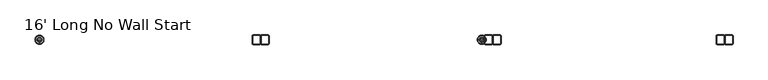
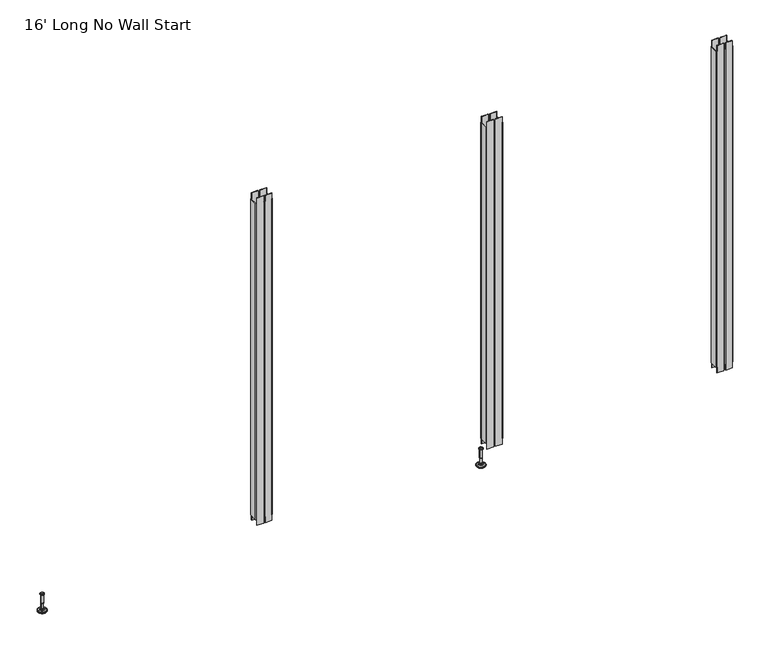
"""IFC4 building model written with IfcOpenShell, lengths in millimetres: furniture geometry, 16' Long No Wall Start."""

from ifc_helpers import new_model, si_unit, frame, origin, place, context, project, spatial, polyline, circle_curve, faceted_brep, source, transform, mapped, element, save
from ifc_brep_helpers import plane_surface, cylinder_surface, revolved_surface, advanced_brep


def furniture_16_long_no_wall_start_6b36d2c8(model_context):
    return source(origin(), model_context, "Body", "SolidModel", [
        advanced_brep(
        [(2381.0635677, 0.0, 101.6), (2390.0414891, 0.0, 101.6), (2372.0856463, 0.0, 101.6), (2366.9593278, 0.0, 0.0206943), (2395.1678076, 0.0, 0.0206943), (2381.0635677, 0.0, 0.0206943), (2362.081296, 0.0, 1.4194474), (2400.0458394, 0.0, 1.4194474), (2358.319381, 0.0, 4.7394056), (2403.8077544, 0.0, 4.7394056), (2357.2019314, 0.0, 7.5051905), (2404.925204, 0.0, 7.5051905), (2357.2019314, 0.0, 8.3065967), (2404.925204, 0.0, 8.3065967), (2358.0443346, 0.0, 9.8469348), (2404.0828008, 0.0, 9.8469348), (2359.1444772, 0.0, 10.8375077), (2402.9826582, 0.0, 10.8375077), (2366.4481724, 0.0, 12.7338946), (2395.678963, 0.0, 12.7338946), (2373.8663238, 0.0, 13.3828987), (2388.2608116, 0.0, 13.3828987), (2373.8663238, 0.0, 14.1772758), (2388.2608116, 0.0, 14.1772758), (2376.2631166, 0.0, 14.1772758), (2385.8640188, 0.0, 14.1772758), (2376.2631166, 0.0, 18.8098403), (2385.8640188, 0.0, 18.8098403), (2375.247264, 0.0, 19.8256929), (2386.8798714, 0.0, 19.8256929), (2375.247264, 0.0, 48.3056352), (2386.8798714, 0.0, 48.3056352), (2374.0237361, 0.0, 49.9293116), (2388.1033993, 0.0, 49.9293116), (2374.0237361, 0.0, 97.327223), (2388.1033993, 0.0, 97.327223), (2373.1426317, 0.0, 97.6479188), (2388.9845037, 0.0, 97.6479188), (2372.0936428, 0.0, 97.6479188), (2390.0334926, 0.0, 97.6479188), (2370.4286129, 0.0, 98.6092242), (2391.6985225, 0.0, 98.6092242), (2370.4286129, 0.0, 100.6043539), (2391.6985225, 0.0, 100.6043539)],
        [
            (0, 1),
            (1, 2, circle_curve(frame((2381.0635677, 0.0, 101.6), z_axis=(0.0, 0.0, 1.0), x_axis=(1.0, 0.0, 0.0)), 8.9779214)),
            (2, 0),
            (2, 1, circle_curve(frame((2381.0635677, 0.0, 101.6), z_axis=(0.0, 0.0, 1.0), x_axis=(1.0, 0.0, 0.0)), 8.9779214)),
            (3, 4, circle_curve(frame((2381.0635677, 0.0, 0.0206943), z_axis=(0.0, 0.0, -1.0), x_axis=(1.0, 0.0, 0.0)), 14.1042399)),
            (4, 5),
            (5, 3),
            (4, 3, circle_curve(frame((2381.0635677, 0.0, 0.0206943), z_axis=(0.0, 0.0, -1.0), x_axis=(1.0, 0.0, 0.0)), 14.1042399)),
            (6, 7, circle_curve(frame((2381.0635677, 0.0, 1.4194474), z_axis=(0.0, 0.0, -1.0), x_axis=(1.0, 0.0, 0.0)), 18.9822717)),
            (7, 4),
            (3, 6),
            (7, 6, circle_curve(frame((2381.0635677, 0.0, 1.4194474), z_axis=(0.0, 0.0, -1.0), x_axis=(1.0, 0.0, 0.0)), 18.9822717)),
            (8, 9, circle_curve(frame((2381.0635677, 0.0, 4.7394056), z_axis=(0.0, 0.0, -1.0), x_axis=(1.0, 0.0, 0.0)), 22.7441867)),
            (9, 7),
            (6, 8),
            (9, 8, circle_curve(frame((2381.0635677, 0.0, 4.7394056), z_axis=(0.0, 0.0, -1.0), x_axis=(1.0, 0.0, 0.0)), 22.7441867)),
            (10, 11, circle_curve(frame((2381.0635677, 0.0, 7.5051905), z_axis=(0.0, 0.0, -1.0), x_axis=(1.0, 0.0, 0.0)), 23.8616363)),
            (11, 9),
            (8, 10),
            (11, 10, circle_curve(frame((2381.0635677, 0.0, 7.5051905), z_axis=(0.0, 0.0, -1.0), x_axis=(1.0, 0.0, 0.0)), 23.8616363)),
            (12, 13, circle_curve(frame((2381.0635677, 0.0, 8.3065967), z_axis=(0.0, 0.0, -1.0), x_axis=(1.0, 0.0, 0.0)), 23.8616363)),
            (13, 11),
            (10, 12),
            (13, 12, circle_curve(frame((2381.0635677, 0.0, 8.3065967), z_axis=(0.0, 0.0, -1.0), x_axis=(1.0, 0.0, 0.0)), 23.8616363)),
            (14, 15, circle_curve(frame((2381.0635677, 0.0, 9.8469348), z_axis=(0.0, 0.0, -1.0), x_axis=(1.0, 0.0, 0.0)), 23.0192331)),
            (15, 13),
            (12, 14),
            (15, 14, circle_curve(frame((2381.0635677, 0.0, 9.8469348), z_axis=(0.0, 0.0, -1.0), x_axis=(1.0, 0.0, 0.0)), 23.0192331)),
            (16, 17, circle_curve(frame((2381.0635677, 0.0, 10.8375077), z_axis=(0.0, 0.0, -1.0), x_axis=(1.0, 0.0, 0.0)), 21.9190905)),
            (17, 15),
            (14, 16),
            (17, 16, circle_curve(frame((2381.0635677, 0.0, 10.8375077), z_axis=(0.0, 0.0, -1.0), x_axis=(1.0, 0.0, 0.0)), 21.9190905)),
            (18, 19, circle_curve(frame((2381.0635677, 0.0, 12.7338946), z_axis=(0.0, 0.0, -1.0), x_axis=(1.0, 0.0, 0.0)), 14.6153953)),
            (19, 17),
            (16, 18),
            (19, 18, circle_curve(frame((2381.0635677, 0.0, 12.7338946), z_axis=(0.0, 0.0, -1.0), x_axis=(1.0, 0.0, 0.0)), 14.6153953)),
            (20, 21, circle_curve(frame((2381.0635677, 0.0, 13.3828987), z_axis=(0.0, 0.0, -1.0), x_axis=(1.0, 0.0, 0.0)), 7.1972439)),
            (21, 19),
            (18, 20),
            (21, 20, circle_curve(frame((2381.0635677, 0.0, 13.3828987), z_axis=(0.0, 0.0, -1.0), x_axis=(1.0, 0.0, 0.0)), 7.1972439)),
            (22, 23, circle_curve(frame((2381.0635677, 0.0, 14.1772758), z_axis=(0.0, 0.0, -1.0), x_axis=(1.0, 0.0, 0.0)), 7.1972439)),
            (23, 21),
            (20, 22),
            (23, 22, circle_curve(frame((2381.0635677, 0.0, 14.1772758), z_axis=(0.0, 0.0, -1.0), x_axis=(1.0, 0.0, 0.0)), 7.1972439)),
            (24, 25, circle_curve(frame((2381.0635677, 0.0, 14.1772758), z_axis=(0.0, 0.0, -1.0), x_axis=(1.0, 0.0, 0.0)), 4.8004511)),
            (25, 23),
            (22, 24),
            (25, 24, circle_curve(frame((2381.0635677, 0.0, 14.1772758), z_axis=(0.0, 0.0, -1.0), x_axis=(1.0, 0.0, 0.0)), 4.8004511)),
            (26, 27, circle_curve(frame((2381.0635677, 0.0, 18.8098403), z_axis=(0.0, 0.0, -1.0), x_axis=(1.0, 0.0, 0.0)), 4.8004511)),
            (27, 25),
            (24, 26),
            (27, 26, circle_curve(frame((2381.0635677, 0.0, 18.8098403), z_axis=(0.0, 0.0, -1.0), x_axis=(1.0, 0.0, 0.0)), 4.8004511)),
            (28, 29, circle_curve(frame((2381.0635677, 0.0, 19.8256929), z_axis=(0.0, 0.0, -1.0), x_axis=(1.0, 0.0, 0.0)), 5.8163037)),
            (29, 27),
            (26, 28),
            (29, 28, circle_curve(frame((2381.0635677, 0.0, 19.8256929), z_axis=(0.0, 0.0, -1.0), x_axis=(1.0, 0.0, 0.0)), 5.8163037)),
            (30, 31, circle_curve(frame((2381.0635677, 0.0, 48.3056352), z_axis=(0.0, 0.0, -1.0), x_axis=(1.0, 0.0, 0.0)), 5.8163037)),
            (31, 29),
            (28, 30),
            (31, 30, circle_curve(frame((2381.0635677, 0.0, 48.3056352), z_axis=(0.0, 0.0, -1.0), x_axis=(1.0, 0.0, 0.0)), 5.8163037)),
            (32, 33, circle_curve(frame((2381.0635677, 0.0, 49.9293116), z_axis=(0.0, 0.0, -1.0), x_axis=(1.0, 0.0, 0.0)), 7.0398316)),
            (33, 31),
            (30, 32),
            (33, 32, circle_curve(frame((2381.0635677, 0.0, 49.9293116), z_axis=(0.0, 0.0, -1.0), x_axis=(1.0, 0.0, 0.0)), 7.0398316)),
            (34, 35, circle_curve(frame((2381.0635677, 0.0, 97.327223), z_axis=(0.0, 0.0, -1.0), x_axis=(1.0, 0.0, 0.0)), 7.0398316)),
            (35, 33),
            (32, 34),
            (35, 34, circle_curve(frame((2381.0635677, 0.0, 97.327223), z_axis=(0.0, 0.0, -1.0), x_axis=(1.0, 0.0, 0.0)), 7.0398316)),
            (36, 37, circle_curve(frame((2381.0635677, 0.0, 97.6479188), z_axis=(0.0, 0.0, -1.0), x_axis=(1.0, 0.0, 0.0)), 7.920936)),
            (37, 35),
            (34, 36),
            (37, 36, circle_curve(frame((2381.0635677, 0.0, 97.6479188), z_axis=(0.0, 0.0, -1.0), x_axis=(1.0, 0.0, 0.0)), 7.920936)),
            (38, 39, circle_curve(frame((2381.0635677, 0.0, 97.6479188), z_axis=(0.0, 0.0, -1.0), x_axis=(1.0, 0.0, 0.0)), 8.9699249)),
            (39, 37),
            (36, 38),
            (39, 38, circle_curve(frame((2381.0635677, 0.0, 97.6479188), z_axis=(0.0, 0.0, -1.0), x_axis=(1.0, 0.0, 0.0)), 8.9699249)),
            (40, 41, circle_curve(frame((2381.0635677, 0.0, 98.6092242), z_axis=(0.0, 0.0, -1.0), x_axis=(1.0, 0.0, 0.0)), 10.6349548)),
            (41, 39),
            (38, 40),
            (41, 40, circle_curve(frame((2381.0635677, 0.0, 98.6092242), z_axis=(0.0, 0.0, -1.0), x_axis=(1.0, 0.0, 0.0)), 10.6349548)),
            (42, 43, circle_curve(frame((2381.0635677, 0.0, 100.6043539), z_axis=(0.0, 0.0, -1.0), x_axis=(1.0, 0.0, 0.0)), 10.6349548)),
            (43, 41),
            (40, 42),
            (43, 42, circle_curve(frame((2381.0635677, 0.0, 100.6043539), z_axis=(0.0, 0.0, -1.0), x_axis=(1.0, 0.0, 0.0)), 10.6349548)),
            (1, 43),
            (42, 2),
        ],
        [
            plane_surface(frame((2381.0635677, 0.0, 101.6), z_axis=(0.0, 0.0, 1.0), x_axis=(1.0, 0.0, 0.0))),
            plane_surface(frame((2381.0635677, 0.0, 0.0206943), z_axis=(0.0, 0.0, -1.0), x_axis=(1.0, 0.0, 0.0))),
            revolved_surface(polyline([(2395.1678076, 0.0, 0.0206943), (2400.0458394, 0.0, 1.4194474)]), (2381.0635677, 0.0, 101.6), (0.0, 0.0, 1.0)),
            revolved_surface(polyline([(2400.0458394, 0.0, 1.4194474), (2403.8077544, 0.0, 4.7394056)]), (2381.0635677, 0.0, 101.6), (0.0, 0.0, 1.0)),
            revolved_surface(polyline([(2403.8077544, 0.0, 4.7394056), (2404.925204, 0.0, 7.5051905)]), (2381.0635677, 0.0, 101.6), (0.0, 0.0, 1.0)),
            cylinder_surface(frame((2381.0635677, 0.0, 101.6), z_axis=(0.0, 0.0, 1.0), x_axis=(1.0, 0.0, 0.0)), 23.8616363),
            revolved_surface(polyline([(2404.925204, 0.0, 8.3065967), (2404.0828008, 0.0, 9.8469348)]), (2381.0635677, 0.0, 101.6), (0.0, 0.0, 1.0)),
            revolved_surface(polyline([(2404.0828008, 0.0, 9.8469348), (2402.9826582, 0.0, 10.8375077)]), (2381.0635677, 0.0, 101.6), (0.0, 0.0, 1.0)),
            revolved_surface(polyline([(2402.9826582, 0.0, 10.8375077), (2395.678963, 0.0, 12.7338946)]), (2381.0635677, 0.0, 101.6), (0.0, 0.0, 1.0)),
            revolved_surface(polyline([(2395.678963, 0.0, 12.7338946), (2388.2608116, 0.0, 13.3828987)]), (2381.0635677, 0.0, 101.6), (0.0, 0.0, 1.0)),
            cylinder_surface(frame((2381.0635677, 0.0, 101.6), z_axis=(0.0, 0.0, 1.0), x_axis=(1.0, 0.0, 0.0)), 7.1972439),
            plane_surface(frame((2381.0635677, 0.0, 14.1772758), z_axis=(0.0, 0.0, 1.0), x_axis=(1.0, 0.0, 0.0))),
            cylinder_surface(frame((2381.0635677, 0.0, 101.6), z_axis=(0.0, 0.0, 1.0), x_axis=(1.0, 0.0, 0.0)), 4.8004511),
            revolved_surface(polyline([(2385.8640188, 0.0, 18.8098403), (2386.8798714, 0.0, 19.8256929)]), (2381.0635677, 0.0, 101.6), (0.0, 0.0, 1.0)),
            cylinder_surface(frame((2381.0635677, 0.0, 101.6), z_axis=(0.0, 0.0, 1.0), x_axis=(1.0, 0.0, 0.0)), 5.8163037),
            revolved_surface(polyline([(2386.8798714, 0.0, 48.3056352), (2388.1033993, 0.0, 49.9293116)]), (2381.0635677, 0.0, 101.6), (0.0, 0.0, 1.0)),
            cylinder_surface(frame((2381.0635677, 0.0, 101.6), z_axis=(0.0, 0.0, 1.0), x_axis=(1.0, 0.0, 0.0)), 7.0398316),
            revolved_surface(polyline([(2388.1033993, 0.0, 97.327223), (2388.9845037, 0.0, 97.6479188)]), (2381.0635677, 0.0, 101.6), (0.0, 0.0, 1.0)),
            plane_surface(frame((2381.0635677, 0.0, 97.6479188), z_axis=(0.0, 0.0, -1.0), x_axis=(1.0, 0.0, 0.0))),
            revolved_surface(polyline([(2390.0334926, 0.0, 97.6479188), (2391.6985225, 0.0, 98.6092242)]), (2381.0635677, 0.0, 101.6), (0.0, 0.0, 1.0)),
            cylinder_surface(frame((2381.0635677, 0.0, 101.6), z_axis=(0.0, 0.0, 1.0), x_axis=(1.0, 0.0, 0.0)), 10.6349548),
            revolved_surface(polyline([(2391.6985225, 0.0, 100.6043539), (2390.0414891, 0.0, 101.6)]), (2381.0635677, 0.0, 101.6), (0.0, 0.0, 1.0)),
        ],
        [
            (0, [[1, 2, 3]]),
            (0, [[-3, 4, -1]]),
            (1, [[5, 6, 7]]),
            (1, [[8, -7, -6]]),
            (2, [[9, 10, -5, 11]]),
            (2, [[12, -11, -8, -10]]),
            (3, [[13, 14, -9, 15]]),
            (3, [[16, -15, -12, -14]]),
            (4, [[17, 18, -13, 19]]),
            (4, [[20, -19, -16, -18]]),
            (5, [[21, 22, -17, 23]]),
            (5, [[24, -23, -20, -22]]),
            (6, [[25, 26, -21, 27]]),
            (6, [[28, -27, -24, -26]]),
            (7, [[29, 30, -25, 31]]),
            (7, [[32, -31, -28, -30]]),
            (8, [[33, 34, -29, 35]]),
            (8, [[36, -35, -32, -34]]),
            (9, [[37, 38, -33, 39]]),
            (9, [[40, -39, -36, -38]]),
            (10, [[41, 42, -37, 43]]),
            (10, [[44, -43, -40, -42]]),
            (11, [[45, 46, -41, 47]]),
            (11, [[48, -47, -44, -46]]),
            (12, [[49, 50, -45, 51]]),
            (12, [[52, -51, -48, -50]]),
            (13, [[53, 54, -49, 55]]),
            (13, [[56, -55, -52, -54]]),
            (14, [[57, 58, -53, 59]]),
            (14, [[60, -59, -56, -58]]),
            (15, [[61, 62, -57, 63]]),
            (15, [[64, -63, -60, -62]]),
            (16, [[65, 66, -61, 67]]),
            (16, [[68, -67, -64, -66]]),
            (17, [[69, 70, -65, 71]]),
            (17, [[72, -71, -68, -70]]),
            (18, [[73, 74, -69, 75]]),
            (18, [[76, -75, -72, -74]]),
            (19, [[77, 78, -73, 79]]),
            (19, [[80, -79, -76, -78]]),
            (20, [[81, 82, -77, 83]]),
            (20, [[84, -83, -80, -82]]),
            (21, [[-2, 85, -81, 86]]),
            (21, [[-4, -86, -84, -85]]),
        ],
    ),
        advanced_brep(
        [(57.0627865, 0.0, 101.6), (66.0407079, 0.0, 101.6), (48.084865, 0.0, 101.6), (42.9585465, 0.0, 0.0206943), (71.1670264, 0.0, 0.0206943), (57.0627865, 0.0, 0.0206943), (38.0805148, 0.0, 1.4194474), (76.0450581, 0.0, 1.4194474), (34.3185997, 0.0, 4.7394056), (79.8069732, 0.0, 4.7394056), (33.2011501, 0.0, 7.5051905), (80.9244228, 0.0, 7.5051905), (33.2011501, 0.0, 8.3065967), (80.9244228, 0.0, 8.3065967), (34.0435533, 0.0, 9.8469348), (80.0820196, 0.0, 9.8469348), (35.143696, 0.0, 10.8375077), (78.9818769, 0.0, 10.8375077), (42.4473912, 0.0, 12.7338946), (71.6781817, 0.0, 12.7338946), (49.8655426, 0.0, 13.3828987), (64.2600304, 0.0, 13.3828987), (49.8655426, 0.0, 14.1772758), (64.2600304, 0.0, 14.1772758), (52.2623354, 0.0, 14.1772758), (61.8632375, 0.0, 14.1772758), (52.2623354, 0.0, 18.8098403), (61.8632375, 0.0, 18.8098403), (51.2464827, 0.0, 19.8256929), (62.8790902, 0.0, 19.8256929), (51.2464827, 0.0, 48.3056352), (62.8790902, 0.0, 48.3056352), (50.0229548, 0.0, 49.9293116), (64.1026181, 0.0, 49.9293116), (50.0229548, 0.0, 97.327223), (64.1026181, 0.0, 97.327223), (49.1418505, 0.0, 97.6479188), (64.9837224, 0.0, 97.6479188), (48.0928615, 0.0, 97.6479188), (66.0327114, 0.0, 97.6479188), (46.4278316, 0.0, 98.6092242), (67.6977413, 0.0, 98.6092242), (46.4278316, 0.0, 100.6043539), (67.6977413, 0.0, 100.6043539)],
        [
            (0, 1),
            (1, 2, circle_curve(frame((57.0627865, 0.0, 101.6), z_axis=(0.0, 0.0, 1.0), x_axis=(1.0, 0.0, 0.0)), 8.9779214)),
            (2, 0),
            (2, 1, circle_curve(frame((57.0627865, 0.0, 101.6), z_axis=(0.0, 0.0, 1.0), x_axis=(1.0, 0.0, 0.0)), 8.9779214)),
            (3, 4, circle_curve(frame((57.0627865, 0.0, 0.0206943), z_axis=(0.0, 0.0, -1.0), x_axis=(1.0, 0.0, 0.0)), 14.1042399)),
            (4, 5),
            (5, 3),
            (4, 3, circle_curve(frame((57.0627865, 0.0, 0.0206943), z_axis=(0.0, 0.0, -1.0), x_axis=(1.0, 0.0, 0.0)), 14.1042399)),
            (6, 7, circle_curve(frame((57.0627865, 0.0, 1.4194474), z_axis=(0.0, 0.0, -1.0), x_axis=(1.0, 0.0, 0.0)), 18.9822717)),
            (7, 4),
            (3, 6),
            (7, 6, circle_curve(frame((57.0627865, 0.0, 1.4194474), z_axis=(0.0, 0.0, -1.0), x_axis=(1.0, 0.0, 0.0)), 18.9822717)),
            (8, 9, circle_curve(frame((57.0627865, 0.0, 4.7394056), z_axis=(0.0, 0.0, -1.0), x_axis=(1.0, 0.0, 0.0)), 22.7441867)),
            (9, 7),
            (6, 8),
            (9, 8, circle_curve(frame((57.0627865, 0.0, 4.7394056), z_axis=(0.0, 0.0, -1.0), x_axis=(1.0, 0.0, 0.0)), 22.7441867)),
            (10, 11, circle_curve(frame((57.0627865, 0.0, 7.5051905), z_axis=(0.0, 0.0, -1.0), x_axis=(1.0, 0.0, 0.0)), 23.8616363)),
            (11, 9),
            (8, 10),
            (11, 10, circle_curve(frame((57.0627865, 0.0, 7.5051905), z_axis=(0.0, 0.0, -1.0), x_axis=(1.0, 0.0, 0.0)), 23.8616363)),
            (12, 13, circle_curve(frame((57.0627865, 0.0, 8.3065967), z_axis=(0.0, 0.0, -1.0), x_axis=(1.0, 0.0, 0.0)), 23.8616363)),
            (13, 11),
            (10, 12),
            (13, 12, circle_curve(frame((57.0627865, 0.0, 8.3065967), z_axis=(0.0, 0.0, -1.0), x_axis=(1.0, 0.0, 0.0)), 23.8616363)),
            (14, 15, circle_curve(frame((57.0627865, 0.0, 9.8469348), z_axis=(0.0, 0.0, -1.0), x_axis=(1.0, 0.0, 0.0)), 23.0192331)),
            (15, 13),
            (12, 14),
            (15, 14, circle_curve(frame((57.0627865, 0.0, 9.8469348), z_axis=(0.0, 0.0, -1.0), x_axis=(1.0, 0.0, 0.0)), 23.0192331)),
            (16, 17, circle_curve(frame((57.0627865, 0.0, 10.8375077), z_axis=(0.0, 0.0, -1.0), x_axis=(1.0, 0.0, 0.0)), 21.9190905)),
            (17, 15),
            (14, 16),
            (17, 16, circle_curve(frame((57.0627865, 0.0, 10.8375077), z_axis=(0.0, 0.0, -1.0), x_axis=(1.0, 0.0, 0.0)), 21.9190905)),
            (18, 19, circle_curve(frame((57.0627865, 0.0, 12.7338946), z_axis=(0.0, 0.0, -1.0), x_axis=(1.0, 0.0, 0.0)), 14.6153953)),
            (19, 17),
            (16, 18),
            (19, 18, circle_curve(frame((57.0627865, 0.0, 12.7338946), z_axis=(0.0, 0.0, -1.0), x_axis=(1.0, 0.0, 0.0)), 14.6153953)),
            (20, 21, circle_curve(frame((57.0627865, 0.0, 13.3828987), z_axis=(0.0, 0.0, -1.0), x_axis=(1.0, 0.0, 0.0)), 7.1972439)),
            (21, 19),
            (18, 20),
            (21, 20, circle_curve(frame((57.0627865, 0.0, 13.3828987), z_axis=(0.0, 0.0, -1.0), x_axis=(1.0, 0.0, 0.0)), 7.1972439)),
            (22, 23, circle_curve(frame((57.0627865, 0.0, 14.1772758), z_axis=(0.0, 0.0, -1.0), x_axis=(1.0, 0.0, 0.0)), 7.1972439)),
            (23, 21),
            (20, 22),
            (23, 22, circle_curve(frame((57.0627865, 0.0, 14.1772758), z_axis=(0.0, 0.0, -1.0), x_axis=(1.0, 0.0, 0.0)), 7.1972439)),
            (24, 25, circle_curve(frame((57.0627865, 0.0, 14.1772758), z_axis=(0.0, 0.0, -1.0), x_axis=(1.0, 0.0, 0.0)), 4.8004511)),
            (25, 23),
            (22, 24),
            (25, 24, circle_curve(frame((57.0627865, 0.0, 14.1772758), z_axis=(0.0, 0.0, -1.0), x_axis=(1.0, 0.0, 0.0)), 4.8004511)),
            (26, 27, circle_curve(frame((57.0627865, 0.0, 18.8098403), z_axis=(0.0, 0.0, -1.0), x_axis=(1.0, 0.0, 0.0)), 4.8004511)),
            (27, 25),
            (24, 26),
            (27, 26, circle_curve(frame((57.0627865, 0.0, 18.8098403), z_axis=(0.0, 0.0, -1.0), x_axis=(1.0, 0.0, 0.0)), 4.8004511)),
            (28, 29, circle_curve(frame((57.0627865, 0.0, 19.8256929), z_axis=(0.0, 0.0, -1.0), x_axis=(1.0, 0.0, 0.0)), 5.8163037)),
            (29, 27),
            (26, 28),
            (29, 28, circle_curve(frame((57.0627865, 0.0, 19.8256929), z_axis=(0.0, 0.0, -1.0), x_axis=(1.0, 0.0, 0.0)), 5.8163037)),
            (30, 31, circle_curve(frame((57.0627865, 0.0, 48.3056352), z_axis=(0.0, 0.0, -1.0), x_axis=(1.0, 0.0, 0.0)), 5.8163037)),
            (31, 29),
            (28, 30),
            (31, 30, circle_curve(frame((57.0627865, 0.0, 48.3056352), z_axis=(0.0, 0.0, -1.0), x_axis=(1.0, 0.0, 0.0)), 5.8163037)),
            (32, 33, circle_curve(frame((57.0627865, 0.0, 49.9293116), z_axis=(0.0, 0.0, -1.0), x_axis=(1.0, 0.0, 0.0)), 7.0398316)),
            (33, 31),
            (30, 32),
            (33, 32, circle_curve(frame((57.0627865, 0.0, 49.9293116), z_axis=(0.0, 0.0, -1.0), x_axis=(1.0, 0.0, 0.0)), 7.0398316)),
            (34, 35, circle_curve(frame((57.0627865, 0.0, 97.327223), z_axis=(0.0, 0.0, -1.0), x_axis=(1.0, 0.0, 0.0)), 7.0398316)),
            (35, 33),
            (32, 34),
            (35, 34, circle_curve(frame((57.0627865, 0.0, 97.327223), z_axis=(0.0, 0.0, -1.0), x_axis=(1.0, 0.0, 0.0)), 7.0398316)),
            (36, 37, circle_curve(frame((57.0627865, 0.0, 97.6479188), z_axis=(0.0, 0.0, -1.0), x_axis=(1.0, 0.0, 0.0)), 7.920936)),
            (37, 35),
            (34, 36),
            (37, 36, circle_curve(frame((57.0627865, 0.0, 97.6479188), z_axis=(0.0, 0.0, -1.0), x_axis=(1.0, 0.0, 0.0)), 7.920936)),
            (38, 39, circle_curve(frame((57.0627865, 0.0, 97.6479188), z_axis=(0.0, 0.0, -1.0), x_axis=(1.0, 0.0, 0.0)), 8.9699249)),
            (39, 37),
            (36, 38),
            (39, 38, circle_curve(frame((57.0627865, 0.0, 97.6479188), z_axis=(0.0, 0.0, -1.0), x_axis=(1.0, 0.0, 0.0)), 8.9699249)),
            (40, 41, circle_curve(frame((57.0627865, 0.0, 98.6092242), z_axis=(0.0, 0.0, -1.0), x_axis=(1.0, 0.0, 0.0)), 10.6349548)),
            (41, 39),
            (38, 40),
            (41, 40, circle_curve(frame((57.0627865, 0.0, 98.6092242), z_axis=(0.0, 0.0, -1.0), x_axis=(1.0, 0.0, 0.0)), 10.6349548)),
            (42, 43, circle_curve(frame((57.0627865, 0.0, 100.6043539), z_axis=(0.0, 0.0, -1.0), x_axis=(1.0, 0.0, 0.0)), 10.6349548)),
            (43, 41),
            (40, 42),
            (43, 42, circle_curve(frame((57.0627865, 0.0, 100.6043539), z_axis=(0.0, 0.0, -1.0), x_axis=(1.0, 0.0, 0.0)), 10.6349548)),
            (1, 43),
            (42, 2),
        ],
        [
            plane_surface(frame((57.0627865, 0.0, 101.6), z_axis=(0.0, 0.0, 1.0), x_axis=(1.0, 0.0, 0.0))),
            plane_surface(frame((57.0627865, 0.0, 0.0206943), z_axis=(0.0, 0.0, -1.0), x_axis=(1.0, 0.0, 0.0))),
            revolved_surface(polyline([(71.1670264, 0.0, 0.0206943), (76.0450581, 0.0, 1.4194474)]), (57.0627865, 0.0, 101.6), (0.0, 0.0, 1.0)),
            revolved_surface(polyline([(76.0450581, 0.0, 1.4194474), (79.8069732, 0.0, 4.7394056)]), (57.0627865, 0.0, 101.6), (0.0, 0.0, 1.0)),
            revolved_surface(polyline([(79.8069732, 0.0, 4.7394056), (80.9244228, 0.0, 7.5051905)]), (57.0627865, 0.0, 101.6), (0.0, 0.0, 1.0)),
            cylinder_surface(frame((57.0627865, 0.0, 101.6), z_axis=(0.0, 0.0, 1.0), x_axis=(1.0, 0.0, 0.0)), 23.8616363),
            revolved_surface(polyline([(80.9244228, 0.0, 8.3065967), (80.0820196, 0.0, 9.8469348)]), (57.0627865, 0.0, 101.6), (0.0, 0.0, 1.0)),
            revolved_surface(polyline([(80.0820196, 0.0, 9.8469348), (78.9818769, 0.0, 10.8375077)]), (57.0627865, 0.0, 101.6), (0.0, 0.0, 1.0)),
            revolved_surface(polyline([(78.9818769, 0.0, 10.8375077), (71.6781817, 0.0, 12.7338946)]), (57.0627865, 0.0, 101.6), (0.0, 0.0, 1.0)),
            revolved_surface(polyline([(71.6781817, 0.0, 12.7338946), (64.2600304, 0.0, 13.3828987)]), (57.0627865, 0.0, 101.6), (0.0, 0.0, 1.0)),
            cylinder_surface(frame((57.0627865, 0.0, 101.6), z_axis=(0.0, 0.0, 1.0), x_axis=(1.0, 0.0, 0.0)), 7.1972439),
            plane_surface(frame((57.0627865, 0.0, 14.1772758), z_axis=(0.0, 0.0, 1.0), x_axis=(1.0, 0.0, 0.0))),
            cylinder_surface(frame((57.0627865, 0.0, 101.6), z_axis=(0.0, 0.0, 1.0), x_axis=(1.0, 0.0, 0.0)), 4.8004511),
            revolved_surface(polyline([(61.8632375, 0.0, 18.8098403), (62.8790902, 0.0, 19.8256929)]), (57.0627865, 0.0, 101.6), (0.0, 0.0, 1.0)),
            cylinder_surface(frame((57.0627865, 0.0, 101.6), z_axis=(0.0, 0.0, 1.0), x_axis=(1.0, 0.0, 0.0)), 5.8163037),
            revolved_surface(polyline([(62.8790902, 0.0, 48.3056352), (64.1026181, 0.0, 49.9293116)]), (57.0627865, 0.0, 101.6), (0.0, 0.0, 1.0)),
            cylinder_surface(frame((57.0627865, 0.0, 101.6), z_axis=(0.0, 0.0, 1.0), x_axis=(1.0, 0.0, 0.0)), 7.0398316),
            revolved_surface(polyline([(64.1026181, 0.0, 97.327223), (64.9837224, 0.0, 97.6479188)]), (57.0627865, 0.0, 101.6), (0.0, 0.0, 1.0)),
            plane_surface(frame((57.0627865, 0.0, 97.6479188), z_axis=(0.0, 0.0, -1.0), x_axis=(1.0, 0.0, 0.0))),
            revolved_surface(polyline([(66.0327114, 0.0, 97.6479188), (67.6977413, 0.0, 98.6092242)]), (57.0627865, 0.0, 101.6), (0.0, 0.0, 1.0)),
            cylinder_surface(frame((57.0627865, 0.0, 101.6), z_axis=(0.0, 0.0, 1.0), x_axis=(1.0, 0.0, 0.0)), 10.6349548),
            revolved_surface(polyline([(67.6977413, 0.0, 100.6043539), (66.0407079, 0.0, 101.6)]), (57.0627865, 0.0, 101.6), (0.0, 0.0, 1.0)),
        ],
        [
            (0, [[1, 2, 3]]),
            (0, [[-3, 4, -1]]),
            (1, [[5, 6, 7]]),
            (1, [[8, -7, -6]]),
            (2, [[9, 10, -5, 11]]),
            (2, [[12, -11, -8, -10]]),
            (3, [[13, 14, -9, 15]]),
            (3, [[16, -15, -12, -14]]),
            (4, [[17, 18, -13, 19]]),
            (4, [[20, -19, -16, -18]]),
            (5, [[21, 22, -17, 23]]),
            (5, [[24, -23, -20, -22]]),
            (6, [[25, 26, -21, 27]]),
            (6, [[28, -27, -24, -26]]),
            (7, [[29, 30, -25, 31]]),
            (7, [[32, -31, -28, -30]]),
            (8, [[33, 34, -29, 35]]),
            (8, [[36, -35, -32, -34]]),
            (9, [[37, 38, -33, 39]]),
            (9, [[40, -39, -36, -38]]),
            (10, [[41, 42, -37, 43]]),
            (10, [[44, -43, -40, -42]]),
            (11, [[45, 46, -41, 47]]),
            (11, [[48, -47, -44, -46]]),
            (12, [[49, 50, -45, 51]]),
            (12, [[52, -51, -48, -50]]),
            (13, [[53, 54, -49, 55]]),
            (13, [[56, -55, -52, -54]]),
            (14, [[57, 58, -53, 59]]),
            (14, [[60, -59, -56, -58]]),
            (15, [[61, 62, -57, 63]]),
            (15, [[64, -63, -60, -62]]),
            (16, [[65, 66, -61, 67]]),
            (16, [[68, -67, -64, -66]]),
            (17, [[69, 70, -65, 71]]),
            (17, [[72, -71, -68, -70]]),
            (18, [[73, 74, -69, 75]]),
            (18, [[76, -75, -72, -74]]),
            (19, [[77, 78, -73, 79]]),
            (19, [[80, -79, -76, -78]]),
            (20, [[81, 82, -77, 83]]),
            (20, [[84, -83, -80, -82]]),
            (21, [[-2, 85, -81, 86]]),
            (21, [[-4, -86, -84, -85]]),
        ],
    ),
        faceted_brep([(1223.6958, 25.4, 1937.6408515), (1223.6958, 23.1181008, 1937.6408515), (1224.1151471, 23.2918, 1937.6408515), (1258.7348529, 23.2918, 1937.6408515), (1259.1542, 23.1181008, 1937.6408515), (1259.1542, 25.4, 1937.6408515), (1259.1542, -25.4, 1937.6408515), (1259.1542, -23.1181008, 1937.6408515), (1258.7348529, -23.2918, 1937.6408515), (1224.1151471, -23.2918, 1937.6408515), (1223.6958, -23.1181008, 1937.6408515), (1223.6958, -25.4, 1937.6408515), (1223.6958, -25.4, 104.7768515), (1223.6958, -23.1181008, 104.7768515), (1224.1151471, -23.2918, 104.7768515), (1258.7348529, -23.2918, 104.7768515), (1259.1542, -23.1181008, 104.7768515), (1259.1542, -25.4, 104.7768515), (1259.1542, 25.4, 104.7768515), (1259.1542, 23.1181008, 104.7768515), (1258.7348529, 23.2918, 104.7768515), (1224.1151471, 23.2918, 104.7768515), (1223.6958, 23.1181008, 104.7768515), (1223.6958, 25.4, 104.7768515), (1263.65, -20.9042, 1905.6368515), (1263.65, -20.9042, 136.7808515), (1263.65, 20.9042, 136.7808515), (1263.65, 20.9042, 1905.6368515), (1223.6958, -25.4, 1905.6368515), (1223.6958, -25.4, 136.7808515), (1259.1542, -25.4, 136.7808515), (1259.1542, -25.4, 1905.6368515), (1219.2, -20.9042, 136.7808515), (1219.2, -20.9042, 1905.6368515), (1219.2, 20.9042, 1905.6368515), (1219.2, 20.9042, 136.7808515), (1259.1542, 25.4, 1905.6368515), (1259.1542, 25.4, 136.7808515), (1223.6958, 25.4, 136.7808515), (1223.6958, 25.4, 1905.6368515), (1262.3332107, 24.0832107, 1905.6368515), (1262.3332107, 24.0832107, 136.7808515), (1262.3332107, -24.0832107, 1905.6368515), (1262.3332107, -24.0832107, 136.7808515), (1220.5167893, -24.0832107, 1905.6368515), (1220.5167893, -24.0832107, 136.7808515), (1220.5167893, 24.0832107, 1905.6368515), (1220.5167893, 24.0832107, 136.7808515), (1261.5418, 20.4848529, 1905.6368515), (1261.5418, 20.4848529, 136.7808515), (1261.5418, -20.4848529, 136.7808515), (1261.5418, -20.4848529, 1905.6368515), (1260.7196642, 22.4696642, 1905.6368515), (1260.7196642, 22.4696642, 136.7808515), (1259.1542, 23.1181008, 136.7808515), (1259.1542, 23.1181008, 1905.6368515), (1223.6958, 23.1181008, 1905.6368515), (1222.1303358, 22.4696642, 1905.6368515), (1222.1303358, 22.4696642, 136.7808515), (1223.6958, 23.1181008, 136.7808515), (1221.3082, 20.4848529, 1905.6368515), (1221.3082, 20.4848529, 136.7808515), (1221.3082, -20.4848529, 1905.6368515), (1221.3082, -20.4848529, 136.7808515), (1222.1303358, -22.4696642, 1905.6368515), (1222.1303358, -22.4696642, 136.7808515), (1223.6958, -23.1181008, 136.7808515), (1223.6958, -23.1181008, 1905.6368515), (1259.1542, -23.1181008, 1905.6368515), (1260.7196642, -22.4696642, 1905.6368515), (1260.7196642, -22.4696642, 136.7808515), (1259.1542, -23.1181008, 136.7808515)], [[[0, 1, 2, 3, 4, 5]], [[6, 7, 8, 9, 10, 11]], [[12, 13, 14, 15, 16, 17]], [[18, 19, 20, 21, 22, 23]], [[24, 25, 26, 27]], [[11, 28, 29, 12, 17, 30, 31, 6]], [[32, 33, 34, 35]], [[5, 36, 37, 18, 23, 38, 39, 0]], [[40, 41, 37, 36]], [[27, 26, 41, 40]], [[42, 43, 25, 24]], [[31, 30, 43, 42]], [[29, 28, 44, 45]], [[45, 44, 33, 32]], [[35, 34, 46, 47]], [[47, 46, 39, 38]], [[48, 49, 50, 51]], [[52, 53, 49, 48]], [[20, 19, 54, 53, 52, 55, 4, 3]], [[2, 21, 20, 3]], [[2, 1, 56, 57, 58, 59, 22, 21]], [[58, 57, 60, 61]], [[61, 60, 62, 63]], [[63, 62, 64, 65]], [[14, 13, 66, 65, 64, 67, 10, 9]], [[8, 15, 14, 9]], [[8, 7, 68, 69, 70, 71, 16, 15]], [[51, 50, 70, 69]], [[55, 52, 48, 51, 69, 68, 31, 42, 24, 27, 40, 36]], [[36, 5, 4, 55]], [[68, 7, 6, 31]], [[37, 41, 26, 25, 43, 30, 71, 70, 50, 49, 53, 54]], [[30, 17, 16, 71]], [[54, 19, 18, 37]], [[59, 58, 61, 63, 65, 66, 29, 45, 32, 35, 47, 38]], [[38, 23, 22, 59]], [[66, 13, 12, 29]], [[39, 46, 34, 33, 44, 28, 67, 64, 62, 60, 57, 56]], [[28, 11, 10, 67]], [[56, 1, 0, 39]]]),
        faceted_brep([(1179.2458, 25.4, 1937.6408515), (1179.2458, 23.1181008, 1937.6408515), (1179.6651471, 23.2918, 1937.6408515), (1214.2848529, 23.2918, 1937.6408515), (1214.7042, 23.1181008, 1937.6408515), (1214.7042, 25.4, 1937.6408515), (1214.7042, -25.4, 1937.6408515), (1214.7042, -23.1181008, 1937.6408515), (1214.2848529, -23.2918, 1937.6408515), (1179.6651471, -23.2918, 1937.6408515), (1179.2458, -23.1181008, 1937.6408515), (1179.2458, -25.4, 1937.6408515), (1179.2458, -25.4, 104.7768515), (1179.2458, -23.1181008, 104.7768515), (1179.6651471, -23.2918, 104.7768515), (1214.2848529, -23.2918, 104.7768515), (1214.7042, -23.1181008, 104.7768515), (1214.7042, -25.4, 104.7768515), (1214.7042, 25.4, 104.7768515), (1214.7042, 23.1181008, 104.7768515), (1214.2848529, 23.2918, 104.7768515), (1179.6651471, 23.2918, 104.7768515), (1179.2458, 23.1181008, 104.7768515), (1179.2458, 25.4, 104.7768515), (1174.75, 20.9042, 1905.6368515), (1174.75, 20.9042, 136.7808515), (1174.75, -20.9042, 136.7808515), (1174.75, -20.9042, 1905.6368515), (1179.2458, -25.4, 1905.6368515), (1179.2458, -25.4, 136.7808515), (1214.7042, -25.4, 136.7808515), (1214.7042, -25.4, 1905.6368515), (1219.2, -20.9042, 1905.6368515), (1219.2, -20.9042, 136.7808515), (1219.2, 20.9042, 136.7808515), (1219.2, 20.9042, 1905.6368515), (1214.7042, 25.4, 1905.6368515), (1214.7042, 25.4, 136.7808515), (1179.2458, 25.4, 136.7808515), (1179.2458, 25.4, 1905.6368515), (1176.0667893, 24.0832107, 136.7808515), (1176.0667893, 24.0832107, 1905.6368515), (1176.0667893, -24.0832107, 136.7808515), (1176.0667893, -24.0832107, 1905.6368515), (1217.8832107, -24.0832107, 136.7808515), (1217.8832107, -24.0832107, 1905.6368515), (1217.8832107, 24.0832107, 136.7808515), (1217.8832107, 24.0832107, 1905.6368515), (1176.8582, -20.4848529, 1905.6368515), (1176.8582, -20.4848529, 136.7808515), (1176.8582, 20.4848529, 136.7808515), (1176.8582, 20.4848529, 1905.6368515), (1177.6803358, 22.4696642, 136.7808515), (1177.6803358, 22.4696642, 1905.6368515), (1179.2458, 23.1181008, 1905.6368515), (1179.2458, 23.1181008, 136.7808515), (1214.7042, 23.1181008, 136.7808515), (1216.2696642, 22.4696642, 136.7808515), (1216.2696642, 22.4696642, 1905.6368515), (1214.7042, 23.1181008, 1905.6368515), (1217.0918, 20.4848529, 136.7808515), (1217.0918, 20.4848529, 1905.6368515), (1217.0918, -20.4848529, 136.7808515), (1217.0918, -20.4848529, 1905.6368515), (1216.2696642, -22.4696642, 136.7808515), (1216.2696642, -22.4696642, 1905.6368515), (1214.7042, -23.1181008, 1905.6368515), (1214.7042, -23.1181008, 136.7808515), (1179.2458, -23.1181008, 136.7808515), (1177.6803358, -22.4696642, 136.7808515), (1177.6803358, -22.4696642, 1905.6368515), (1179.2458, -23.1181008, 1905.6368515)], [[[0, 1, 2, 3, 4, 5]], [[6, 7, 8, 9, 10, 11]], [[12, 13, 14, 15, 16, 17]], [[18, 19, 20, 21, 22, 23]], [[24, 25, 26, 27]], [[11, 28, 29, 12, 17, 30, 31, 6]], [[32, 33, 34, 35]], [[5, 36, 37, 18, 23, 38, 39, 0]], [[39, 38, 40, 41]], [[41, 40, 25, 24]], [[27, 26, 42, 43]], [[43, 42, 29, 28]], [[31, 30, 44, 45]], [[45, 44, 33, 32]], [[35, 34, 46, 47]], [[47, 46, 37, 36]], [[48, 49, 50, 51]], [[51, 50, 52, 53]], [[2, 1, 54, 53, 52, 55, 22, 21]], [[2, 21, 20, 3]], [[20, 19, 56, 57, 58, 59, 4, 3]], [[58, 57, 60, 61]], [[61, 60, 62, 63]], [[63, 62, 64, 65]], [[8, 7, 66, 65, 64, 67, 16, 15]], [[8, 15, 14, 9]], [[14, 13, 68, 69, 70, 71, 10, 9]], [[70, 69, 49, 48]], [[39, 41, 24, 27, 43, 28, 71, 70, 48, 51, 53, 54]], [[28, 11, 10, 71]], [[54, 1, 0, 39]], [[55, 52, 50, 49, 69, 68, 29, 42, 26, 25, 40, 38]], [[38, 23, 22, 55]], [[68, 13, 12, 29]], [[59, 58, 61, 63, 65, 66, 31, 45, 32, 35, 47, 36]], [[36, 5, 4, 59]], [[66, 7, 6, 31]], [[37, 46, 34, 33, 44, 30, 67, 64, 62, 60, 57, 56]], [[30, 17, 16, 67]], [[56, 19, 18, 37]]]),
        faceted_brep([(3653.1042, 25.4, 1937.6408515), (3617.6458, 25.4, 1937.6408515), (3617.6458, 23.1181008, 1937.6408515), (3618.0651471, 23.2918, 1937.6408515), (3652.6848529, 23.2918, 1937.6408515), (3653.1042, 23.1181008, 1937.6408515), (3617.6458, -25.4, 1937.6408515), (3653.1042, -25.4, 1937.6408515), (3653.1042, -23.1181008, 1937.6408515), (3652.6848529, -23.2918, 1937.6408515), (3618.0651471, -23.2918, 1937.6408515), (3617.6458, -23.1181008, 1937.6408515), (3653.1042, -25.4, 104.7768515), (3617.6458, -25.4, 104.7768515), (3617.6458, -23.1181008, 104.7768515), (3618.0651471, -23.2918, 104.7768515), (3652.6848529, -23.2918, 104.7768515), (3653.1042, -23.1181008, 104.7768515), (3617.6458, 25.4, 104.7768515), (3653.1042, 25.4, 104.7768515), (3653.1042, 23.1181008, 104.7768515), (3652.6848529, 23.2918, 104.7768515), (3618.0651471, 23.2918, 104.7768515), (3617.6458, 23.1181008, 104.7768515), (3613.15, -20.9042, 1905.6368515), (3613.15, 20.9042, 1905.6368515), (3613.15, 20.9042, 136.7808515), (3613.15, -20.9042, 136.7808515), (3617.6458, -25.4, 1905.6368515), (3617.6458, -25.4, 136.7808515), (3653.1042, -25.4, 136.7808515), (3653.1042, -25.4, 1905.6368515), (3657.6, -20.9042, 136.7808515), (3657.6, 20.9042, 136.7808515), (3657.6, 20.9042, 1905.6368515), (3657.6, -20.9042, 1905.6368515), (3653.1042, 25.4, 1905.6368515), (3653.1042, 25.4, 136.7808515), (3617.6458, 25.4, 136.7808515), (3617.6458, 25.4, 1905.6368515), (3614.4667893, 24.0832107, 1905.6368515), (3614.4667893, 24.0832107, 136.7808515), (3614.4667893, -24.0832107, 1905.6368515), (3614.4667893, -24.0832107, 136.7808515), (3656.2832107, -24.0832107, 136.7808515), (3656.2832107, -24.0832107, 1905.6368515), (3656.2832107, 24.0832107, 136.7808515), (3656.2832107, 24.0832107, 1905.6368515), (3615.2582, 20.4848529, 1905.6368515), (3615.2582, -20.4848529, 1905.6368515), (3615.2582, -20.4848529, 136.7808515), (3615.2582, 20.4848529, 136.7808515), (3616.0803358, 22.4696642, 1905.6368515), (3616.0803358, 22.4696642, 136.7808515), (3617.6458, 23.1181008, 1905.6368515), (3617.6458, 23.1181008, 136.7808515), (3653.1042, 23.1181008, 136.7808515), (3654.6696642, 22.4696642, 136.7808515), (3654.6696642, 22.4696642, 1905.6368515), (3653.1042, 23.1181008, 1905.6368515), (3655.4918, 20.4848529, 136.7808515), (3655.4918, 20.4848529, 1905.6368515), (3655.4918, -20.4848529, 136.7808515), (3655.4918, -20.4848529, 1905.6368515), (3654.6696642, -22.4696642, 136.7808515), (3654.6696642, -22.4696642, 1905.6368515), (3653.1042, -23.1181008, 1905.6368515), (3653.1042, -23.1181008, 136.7808515), (3617.6458, -23.1181008, 136.7808515), (3616.0803358, -22.4696642, 136.7808515), (3616.0803358, -22.4696642, 1905.6368515), (3617.6458, -23.1181008, 1905.6368515)], [[[0, 1, 2, 3, 4, 5]], [[6, 7, 8, 9, 10, 11]], [[12, 13, 14, 15, 16, 17]], [[18, 19, 20, 21, 22, 23]], [[24, 25, 26, 27]], [[7, 6, 28, 29, 13, 12, 30, 31]], [[32, 33, 34, 35]], [[1, 0, 36, 37, 19, 18, 38, 39]], [[40, 39, 38, 41]], [[25, 40, 41, 26]], [[42, 24, 27, 43]], [[28, 42, 43, 29]], [[30, 44, 45, 31]], [[44, 32, 35, 45]], [[33, 46, 47, 34]], [[46, 37, 36, 47]], [[48, 49, 50, 51]], [[52, 48, 51, 53]], [[22, 3, 2, 54, 52, 53, 55, 23]], [[4, 3, 22, 21]], [[4, 21, 20, 56, 57, 58, 59, 5]], [[57, 60, 61, 58]], [[60, 62, 63, 61]], [[62, 64, 65, 63]], [[16, 9, 8, 66, 65, 64, 67, 17]], [[10, 9, 16, 15]], [[10, 15, 14, 68, 69, 70, 71, 11]], [[49, 70, 69, 50]], [[54, 39, 40, 25, 24, 42, 28, 71, 70, 49, 48, 52]], [[39, 54, 2, 1]], [[71, 28, 6, 11]], [[38, 55, 53, 51, 50, 69, 68, 29, 43, 27, 26, 41]], [[55, 38, 18, 23]], [[29, 68, 14, 13]], [[56, 37, 46, 33, 32, 44, 30, 67, 64, 62, 60, 57]], [[37, 56, 20, 19]], [[67, 30, 12, 17]], [[36, 59, 58, 61, 63, 65, 66, 31, 45, 35, 34, 47]], [[59, 36, 0, 5]], [[31, 66, 8, 7]]]),
        faceted_brep([(3697.5542, 25.4, 1937.6408515), (3662.0958, 25.4, 1937.6408515), (3662.0958, 23.1181008, 1937.6408515), (3662.5151471, 23.2918, 1937.6408515), (3697.1348529, 23.2918, 1937.6408515), (3697.5542, 23.1181008, 1937.6408515), (3662.0958, -25.4, 1937.6408515), (3697.5542, -25.4, 1937.6408515), (3697.5542, -23.1181008, 1937.6408515), (3697.1348529, -23.2918, 1937.6408515), (3662.5151471, -23.2918, 1937.6408515), (3662.0958, -23.1181008, 1937.6408515), (3697.5542, -25.4, 104.7768515), (3662.0958, -25.4, 104.7768515), (3662.0958, -23.1181008, 104.7768515), (3662.5151471, -23.2918, 104.7768515), (3697.1348529, -23.2918, 104.7768515), (3697.5542, -23.1181008, 104.7768515), (3662.0958, 25.4, 104.7768515), (3697.5542, 25.4, 104.7768515), (3697.5542, 23.1181008, 104.7768515), (3697.1348529, 23.2918, 104.7768515), (3662.5151471, 23.2918, 104.7768515), (3662.0958, 23.1181008, 104.7768515), (3702.05, 20.9042, 1905.6368515), (3702.05, -20.9042, 1905.6368515), (3702.05, -20.9042, 136.7808515), (3702.05, 20.9042, 136.7808515), (3662.0958, -25.4, 1905.6368515), (3662.0958, -25.4, 136.7808515), (3697.5542, -25.4, 136.7808515), (3697.5542, -25.4, 1905.6368515), (3657.6, -20.9042, 1905.6368515), (3657.6, 20.9042, 1905.6368515), (3657.6, 20.9042, 136.7808515), (3657.6, -20.9042, 136.7808515), (3697.5542, 25.4, 1905.6368515), (3697.5542, 25.4, 136.7808515), (3662.0958, 25.4, 136.7808515), (3662.0958, 25.4, 1905.6368515), (3700.7332107, 24.0832107, 1905.6368515), (3700.7332107, 24.0832107, 136.7808515), (3700.7332107, -24.0832107, 1905.6368515), (3700.7332107, -24.0832107, 136.7808515), (3658.9167893, -24.0832107, 1905.6368515), (3658.9167893, -24.0832107, 136.7808515), (3658.9167893, 24.0832107, 1905.6368515), (3658.9167893, 24.0832107, 136.7808515), (3699.9418, -20.4848529, 1905.6368515), (3699.9418, 20.4848529, 1905.6368515), (3699.9418, 20.4848529, 136.7808515), (3699.9418, -20.4848529, 136.7808515), (3699.1196642, 22.4696642, 1905.6368515), (3699.1196642, 22.4696642, 136.7808515), (3697.5542, 23.1181008, 136.7808515), (3697.5542, 23.1181008, 1905.6368515), (3662.0958, 23.1181008, 1905.6368515), (3660.5303358, 22.4696642, 1905.6368515), (3660.5303358, 22.4696642, 136.7808515), (3662.0958, 23.1181008, 136.7808515), (3659.7082, 20.4848529, 1905.6368515), (3659.7082, 20.4848529, 136.7808515), (3659.7082, -20.4848529, 1905.6368515), (3659.7082, -20.4848529, 136.7808515), (3660.5303358, -22.4696642, 1905.6368515), (3660.5303358, -22.4696642, 136.7808515), (3662.0958, -23.1181008, 136.7808515), (3662.0958, -23.1181008, 1905.6368515), (3697.5542, -23.1181008, 1905.6368515), (3699.1196642, -22.4696642, 1905.6368515), (3699.1196642, -22.4696642, 136.7808515), (3697.5542, -23.1181008, 136.7808515)], [[[0, 1, 2, 3, 4, 5]], [[6, 7, 8, 9, 10, 11]], [[12, 13, 14, 15, 16, 17]], [[18, 19, 20, 21, 22, 23]], [[24, 25, 26, 27]], [[7, 6, 28, 29, 13, 12, 30, 31]], [[32, 33, 34, 35]], [[1, 0, 36, 37, 19, 18, 38, 39]], [[36, 40, 41, 37]], [[40, 24, 27, 41]], [[25, 42, 43, 26]], [[42, 31, 30, 43]], [[28, 44, 45, 29]], [[44, 32, 35, 45]], [[33, 46, 47, 34]], [[46, 39, 38, 47]], [[48, 49, 50, 51]], [[49, 52, 53, 50]], [[4, 21, 20, 54, 53, 52, 55, 5]], [[4, 3, 22, 21]], [[22, 3, 2, 56, 57, 58, 59, 23]], [[57, 60, 61, 58]], [[60, 62, 63, 61]], [[62, 64, 65, 63]], [[10, 15, 14, 66, 65, 64, 67, 11]], [[10, 9, 16, 15]], [[16, 9, 8, 68, 69, 70, 71, 17]], [[69, 48, 51, 70]], [[36, 55, 52, 49, 48, 69, 68, 31, 42, 25, 24, 40]], [[55, 36, 0, 5]], [[31, 68, 8, 7]], [[54, 37, 41, 27, 26, 43, 30, 71, 70, 51, 50, 53]], [[37, 54, 20, 19]], [[71, 30, 12, 17]], [[56, 39, 46, 33, 32, 44, 28, 67, 64, 62, 60, 57]], [[39, 56, 2, 1]], [[67, 28, 6, 11]], [[38, 59, 58, 61, 63, 65, 66, 29, 45, 35, 34, 47]], [[59, 38, 18, 23]], [[29, 66, 14, 13]]]),
        faceted_brep([(2433.9042, 25.4, 1937.6408515), (2398.4458, 25.4, 1937.6408515), (2398.4458, 23.1181008, 1937.6408515), (2398.8651471, 23.2918, 1937.6408515), (2433.4848529, 23.2918, 1937.6408515), (2433.9042, 23.1181008, 1937.6408515), (2398.4458, -25.4, 1937.6408515), (2433.9042, -25.4, 1937.6408515), (2433.9042, -23.1181008, 1937.6408515), (2433.4848529, -23.2918, 1937.6408515), (2398.8651471, -23.2918, 1937.6408515), (2398.4458, -23.1181008, 1937.6408515), (2433.9042, -25.4, 104.7768515), (2398.4458, -25.4, 104.7768515), (2398.4458, -23.1181008, 104.7768515), (2398.8651471, -23.2918, 104.7768515), (2433.4848529, -23.2918, 104.7768515), (2433.9042, -23.1181008, 104.7768515), (2398.4458, 25.4, 104.7768515), (2433.9042, 25.4, 104.7768515), (2433.9042, 23.1181008, 104.7768515), (2433.4848529, 23.2918, 104.7768515), (2398.8651471, 23.2918, 104.7768515), (2398.4458, 23.1181008, 104.7768515), (2393.95, -20.9042, 1905.6368515), (2393.95, 20.9042, 1905.6368515), (2393.95, 20.9042, 136.7808515), (2393.95, -20.9042, 136.7808515), (2398.4458, -25.4, 1905.6368515), (2398.4458, -25.4, 136.7808515), (2433.9042, -25.4, 136.7808515), (2433.9042, -25.4, 1905.6368515), (2438.4, -20.9042, 136.7808515), (2438.4, 20.9042, 136.7808515), (2438.4, 20.9042, 1905.6368515), (2438.4, -20.9042, 1905.6368515), (2433.9042, 25.4, 1905.6368515), (2433.9042, 25.4, 136.7808515), (2398.4458, 25.4, 136.7808515), (2398.4458, 25.4, 1905.6368515), (2395.2667893, 24.0832107, 1905.6368515), (2395.2667893, 24.0832107, 136.7808515), (2395.2667893, -24.0832107, 1905.6368515), (2395.2667893, -24.0832107, 136.7808515), (2437.0832107, -24.0832107, 136.7808515), (2437.0832107, -24.0832107, 1905.6368515), (2437.0832107, 24.0832107, 136.7808515), (2437.0832107, 24.0832107, 1905.6368515), (2396.0582, 20.4848529, 1905.6368515), (2396.0582, -20.4848529, 1905.6368515), (2396.0582, -20.4848529, 136.7808515), (2396.0582, 20.4848529, 136.7808515), (2396.8803358, 22.4696642, 1905.6368515), (2396.8803358, 22.4696642, 136.7808515), (2398.4458, 23.1181008, 1905.6368515), (2398.4458, 23.1181008, 136.7808515), (2433.9042, 23.1181008, 136.7808515), (2435.4696642, 22.4696642, 136.7808515), (2435.4696642, 22.4696642, 1905.6368515), (2433.9042, 23.1181008, 1905.6368515), (2436.2918, 20.4848529, 136.7808515), (2436.2918, 20.4848529, 1905.6368515), (2436.2918, -20.4848529, 136.7808515), (2436.2918, -20.4848529, 1905.6368515), (2435.4696642, -22.4696642, 136.7808515), (2435.4696642, -22.4696642, 1905.6368515), (2433.9042, -23.1181008, 1905.6368515), (2433.9042, -23.1181008, 136.7808515), (2398.4458, -23.1181008, 136.7808515), (2396.8803358, -22.4696642, 136.7808515), (2396.8803358, -22.4696642, 1905.6368515), (2398.4458, -23.1181008, 1905.6368515)], [[[0, 1, 2, 3, 4, 5]], [[6, 7, 8, 9, 10, 11]], [[12, 13, 14, 15, 16, 17]], [[18, 19, 20, 21, 22, 23]], [[24, 25, 26, 27]], [[7, 6, 28, 29, 13, 12, 30, 31]], [[32, 33, 34, 35]], [[1, 0, 36, 37, 19, 18, 38, 39]], [[40, 39, 38, 41]], [[25, 40, 41, 26]], [[42, 24, 27, 43]], [[28, 42, 43, 29]], [[30, 44, 45, 31]], [[44, 32, 35, 45]], [[33, 46, 47, 34]], [[46, 37, 36, 47]], [[48, 49, 50, 51]], [[52, 48, 51, 53]], [[22, 3, 2, 54, 52, 53, 55, 23]], [[4, 3, 22, 21]], [[4, 21, 20, 56, 57, 58, 59, 5]], [[57, 60, 61, 58]], [[60, 62, 63, 61]], [[62, 64, 65, 63]], [[16, 9, 8, 66, 65, 64, 67, 17]], [[10, 9, 16, 15]], [[10, 15, 14, 68, 69, 70, 71, 11]], [[49, 70, 69, 50]], [[54, 39, 40, 25, 24, 42, 28, 71, 70, 49, 48, 52]], [[39, 54, 2, 1]], [[71, 28, 6, 11]], [[38, 55, 53, 51, 50, 69, 68, 29, 43, 27, 26, 41]], [[55, 38, 18, 23]], [[29, 68, 14, 13]], [[56, 37, 46, 33, 32, 44, 30, 67, 64, 62, 60, 57]], [[37, 56, 20, 19]], [[67, 30, 12, 17]], [[36, 59, 58, 61, 63, 65, 66, 31, 45, 35, 34, 47]], [[59, 36, 0, 5]], [[31, 66, 8, 7]]]),
        faceted_brep([(2478.3542, 25.4, 1937.6408515), (2442.8958, 25.4, 1937.6408515), (2442.8958, 23.1181008, 1937.6408515), (2443.3151471, 23.2918, 1937.6408515), (2477.9348529, 23.2918, 1937.6408515), (2478.3542, 23.1181008, 1937.6408515), (2442.8958, -25.4, 1937.6408515), (2478.3542, -25.4, 1937.6408515), (2478.3542, -23.1181008, 1937.6408515), (2477.9348529, -23.2918, 1937.6408515), (2443.3151471, -23.2918, 1937.6408515), (2442.8958, -23.1181008, 1937.6408515), (2478.3542, -25.4, 104.7768515), (2442.8958, -25.4, 104.7768515), (2442.8958, -23.1181008, 104.7768515), (2443.3151471, -23.2918, 104.7768515), (2477.9348529, -23.2918, 104.7768515), (2478.3542, -23.1181008, 104.7768515), (2442.8958, 25.4, 104.7768515), (2478.3542, 25.4, 104.7768515), (2478.3542, 23.1181008, 104.7768515), (2477.9348529, 23.2918, 104.7768515), (2443.3151471, 23.2918, 104.7768515), (2442.8958, 23.1181008, 104.7768515), (2482.85, 20.9042, 1905.6368515), (2482.85, -20.9042, 1905.6368515), (2482.85, -20.9042, 136.7808515), (2482.85, 20.9042, 136.7808515), (2442.8958, -25.4, 1905.6368515), (2442.8958, -25.4, 136.7808515), (2478.3542, -25.4, 136.7808515), (2478.3542, -25.4, 1905.6368515), (2438.4, -20.9042, 1905.6368515), (2438.4, 20.9042, 1905.6368515), (2438.4, 20.9042, 136.7808515), (2438.4, -20.9042, 136.7808515), (2478.3542, 25.4, 1905.6368515), (2478.3542, 25.4, 136.7808515), (2442.8958, 25.4, 136.7808515), (2442.8958, 25.4, 1905.6368515), (2481.5332107, 24.0832107, 1905.6368515), (2481.5332107, 24.0832107, 136.7808515), (2481.5332107, -24.0832107, 1905.6368515), (2481.5332107, -24.0832107, 136.7808515), (2439.7167893, -24.0832107, 1905.6368515), (2439.7167893, -24.0832107, 136.7808515), (2439.7167893, 24.0832107, 1905.6368515), (2439.7167893, 24.0832107, 136.7808515), (2480.7418, -20.4848529, 1905.6368515), (2480.7418, 20.4848529, 1905.6368515), (2480.7418, 20.4848529, 136.7808515), (2480.7418, -20.4848529, 136.7808515), (2479.9196642, 22.4696642, 1905.6368515), (2479.9196642, 22.4696642, 136.7808515), (2478.3542, 23.1181008, 136.7808515), (2478.3542, 23.1181008, 1905.6368515), (2442.8958, 23.1181008, 1905.6368515), (2441.3303358, 22.4696642, 1905.6368515), (2441.3303358, 22.4696642, 136.7808515), (2442.8958, 23.1181008, 136.7808515), (2440.5082, 20.4848529, 1905.6368515), (2440.5082, 20.4848529, 136.7808515), (2440.5082, -20.4848529, 1905.6368515), (2440.5082, -20.4848529, 136.7808515), (2441.3303358, -22.4696642, 1905.6368515), (2441.3303358, -22.4696642, 136.7808515), (2442.8958, -23.1181008, 136.7808515), (2442.8958, -23.1181008, 1905.6368515), (2478.3542, -23.1181008, 1905.6368515), (2479.9196642, -22.4696642, 1905.6368515), (2479.9196642, -22.4696642, 136.7808515), (2478.3542, -23.1181008, 136.7808515)], [[[0, 1, 2, 3, 4, 5]], [[6, 7, 8, 9, 10, 11]], [[12, 13, 14, 15, 16, 17]], [[18, 19, 20, 21, 22, 23]], [[24, 25, 26, 27]], [[7, 6, 28, 29, 13, 12, 30, 31]], [[32, 33, 34, 35]], [[1, 0, 36, 37, 19, 18, 38, 39]], [[36, 40, 41, 37]], [[40, 24, 27, 41]], [[25, 42, 43, 26]], [[42, 31, 30, 43]], [[28, 44, 45, 29]], [[44, 32, 35, 45]], [[33, 46, 47, 34]], [[46, 39, 38, 47]], [[48, 49, 50, 51]], [[49, 52, 53, 50]], [[4, 21, 20, 54, 53, 52, 55, 5]], [[4, 3, 22, 21]], [[22, 3, 2, 56, 57, 58, 59, 23]], [[57, 60, 61, 58]], [[60, 62, 63, 61]], [[62, 64, 65, 63]], [[10, 15, 14, 66, 65, 64, 67, 11]], [[10, 9, 16, 15]], [[16, 9, 8, 68, 69, 70, 71, 17]], [[69, 48, 51, 70]], [[36, 55, 52, 49, 48, 69, 68, 31, 42, 25, 24, 40]], [[55, 36, 0, 5]], [[31, 68, 8, 7]], [[54, 37, 41, 27, 26, 43, 30, 71, 70, 51, 50, 53]], [[37, 54, 20, 19]], [[71, 30, 12, 17]], [[56, 39, 46, 33, 32, 44, 28, 67, 64, 62, 60, 57]], [[39, 56, 2, 1]], [[67, 28, 6, 11]], [[38, 59, 58, 61, 63, 65, 66, 29, 45, 35, 34, 47]], [[59, 38, 18, 23]], [[29, 66, 14, 13]]]),
    ])


if __name__ == "__main__":
    model = new_model("IFC4")
    model_context = context("Model", 3, world=origin())
    ifc_project = project(units=[si_unit("LENGTHUNIT", "METRE", prefix="MILLI")], contexts=[model_context])
    site = spatial("IfcSite", under=ifc_project)
    building = spatial("IfcBuilding", under=site)
    placement = place(None, origin())
    furniture_16_long_no_wall_start_shape = furniture_16_long_no_wall_start_6b36d2c8(model_context)
    element("IfcFurniture", 1, ObjectType="16' Long No Wall Start", at=placement, inside=building, context=model_context, shape_type="MappedRepresentation", body=[
        mapped(furniture_16_long_no_wall_start_shape, transform((0.0, 0.0, 0.0), x_axis=(1.0, 0.0, 0.0), y_axis=(0.0, 1.0, 0.0), z_axis=(0.0, 0.0, 1.0))),
    ])
    save(model, "model.ifc")
